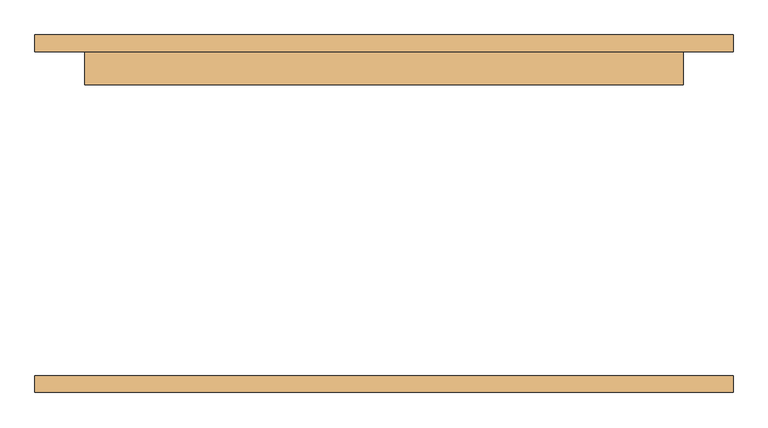
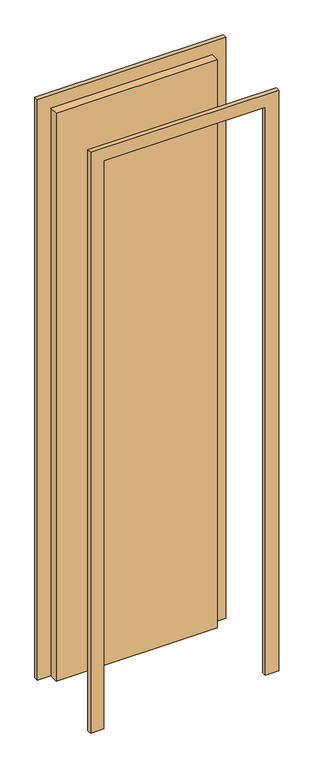
"""IFC4 building model written with IfcOpenShell, lengths in millimetres: door geometry."""

from ifc_helpers import new_model, si_unit, frame, origin, origin_with_axes, place, context, project, spatial, polyline, outline, extrude, source, transform, mapped, element, save


def door_5eda954e(model_context):
    return source(origin(), model_context, "Body", "SweptSolid", [
        extrude(outline(polyline([(3479.8, -533.4), (0.0, -533.4), (0.0, -457.2), (3403.6, -457.2), (3403.6, 457.2), (0.0, 457.2), (0.0, 533.4), (3479.8, 533.4), (3479.8, -533.4)])), frame((0.0, 247.65, 0.0), z_axis=(0.0, 1.0, 0.0), x_axis=(0.0, 0.0, 1.0)), (0.0, 0.0, 1.0), 25.4),
        extrude(outline(polyline([(3479.8, 533.4), (3479.8, -533.4), (0.0, -533.4), (0.0, -457.2), (3403.6, -457.2), (3403.6, 457.2), (0.0, 457.2), (0.0, 533.4), (3479.8, 533.4)])), frame((0.0, -273.05, 0.0), z_axis=(0.0, 1.0, 0.0), x_axis=(0.0, 0.0, 1.0)), (0.0, 0.0, 1.0), 25.4),
        extrude(outline(polyline([(457.2, 196.85), (-457.2, 196.85), (-457.2, 247.65), (457.2, 247.65), (457.2, 196.85)])), origin_with_axes(), (0.0, 0.0, 1.0), 3403.6),
    ])


if __name__ == "__main__":
    model = new_model("IFC4")
    model_context = context("Model", 3, world=origin())
    ifc_project = project(units=[si_unit("LENGTHUNIT", "METRE", prefix="MILLI")], contexts=[model_context])
    site = spatial("IfcSite", under=ifc_project)
    building = spatial("IfcBuilding", under=site)
    placement = place(None, origin())
    door_shape = door_5eda954e(model_context)
    element("IfcDoor", 1, at=placement, inside=building, context=model_context, shape_type="MappedRepresentation", body=[
        mapped(door_shape, transform((0.0, 0.0, 0.0), x_axis=(1.0, 0.0, 0.0), y_axis=(0.0, 1.0, 0.0), z_axis=(0.0, 0.0, 1.0))),
    ])
    save(model, "model.ifc")
